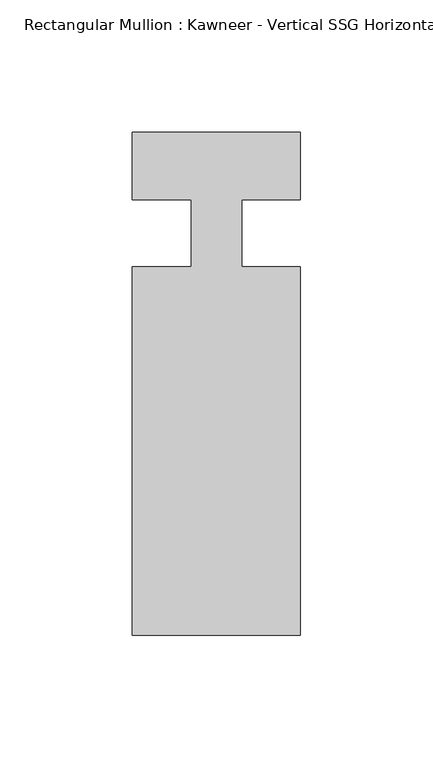
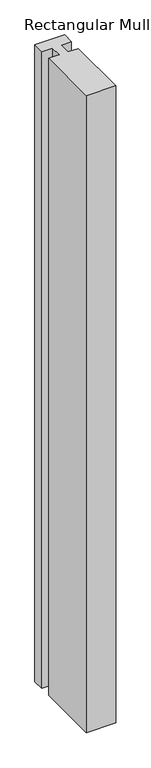
"""IFC4 building model written with IfcOpenShell, lengths in millimetres: member geometry."""

import ifcopenshell
import ifcopenshell.guid

model = None  # the IFC model being written
_history = None  # IfcOwnerHistory: only IFC2X3 demands one
_inside = {}  # id of a spatial element -> (the spatial element, [elements in it])
_under = {}  # id of a project, library or spatial element -> (it, [spatial elements below it])
_declared = {}  # id of a project -> (the project, [libraries it declares])
_typed = {}  # id of a type object -> (the type object, [elements of that type])
_made_of = {}  # id of a material, layer set ... -> (it, [elements and type objects made of it])


def new_model(schema):
    """Start an empty IFC model of exactly this schema.

    Asked for "IFC4X3", IfcOpenShell would pick the latest addendum, in which some entities
    have other attributes; the version numbers below select the first issue.
    IFC2X3 requires an IfcOwnerHistory on every rooted entity: one is made here for all.
    """
    global model, _history
    if schema == "IFC4X3":
        model = ifcopenshell.file(schema_version=(4, 3, 0, 0))
    else:
        model = ifcopenshell.file(schema=schema)
    _inside.clear()
    _under.clear()
    _declared.clear()
    _typed.clear()
    _made_of.clear()
    _history = None
    if model.schema == "IFC2X3":
        org = make("IfcOrganization", Name="unknown")
        user = make(
            "IfcPersonAndOrganization",
            ThePerson=make("IfcPerson", FamilyName="unknown"),
            TheOrganization=org,
        )
        app = make(
            "IfcApplication",
            ApplicationDeveloper=org,
            Version="unknown",
            ApplicationFullName="unknown",
            ApplicationIdentifier="unknown",
        )
        _history = make(
            "IfcOwnerHistory",
            OwningUser=user,
            OwningApplication=app,
            ChangeAction="ADDED",
            CreationDate=0,
        )
    return model


def make(cls, **values):
    """One entity of the class cls with the attributes given. An attribute that is None is left unset."""
    return model.create_entity(
        cls, **{name: value for name, value in values.items() if value is not None}
    )


def rooted(cls, **values):
    """An entity with a GlobalId (a new one), such as an element, a storey or a relation."""
    return make(cls, GlobalId=ifcopenshell.guid.new(), OwnerHistory=_history, **values)


def si_unit(unit_type, name, prefix=None):
    """IfcSIUnit, for example si_unit("LENGTHUNIT", "METRE", prefix="MILLI")."""
    return make("IfcSIUnit", UnitType=unit_type, Prefix=prefix, Name=name)


def assignment(units):
    """IfcUnitAssignment: the units of a project."""
    return None if units is None else make("IfcUnitAssignment", Units=units)


def point(xyz):
    """IfcCartesianPoint."""
    return None if xyz is None else make("IfcCartesianPoint", Coordinates=xyz)


def direction(xyz):
    """IfcDirection."""
    return None if xyz is None else make("IfcDirection", DirectionRatios=xyz)


def frame(location, z_axis=None, x_axis=None):
    """IfcAxis2Placement3D, a coordinate frame: its origin and axes. An axis left out is left unset."""
    return make(
        "IfcAxis2Placement3D",
        Location=point(location),
        Axis=direction(z_axis),
        RefDirection=direction(x_axis),
    )


def origin():
    """The frame at (0, 0, 0) with its axes left unset."""
    return frame((0.0, 0.0, 0.0))


def place(relative_to, where):
    """IfcLocalPlacement: puts the frame where relative to a parent placement (None: the world)."""
    return make(
        "IfcLocalPlacement", PlacementRelTo=relative_to, RelativePlacement=where
    )


def context(
    kind, dimensions, precision=None, world=None, true_north=None, identifier=None
):
    """IfcGeometricRepresentationContext, for example the 3D "Model" context."""
    return make(
        "IfcGeometricRepresentationContext",
        ContextIdentifier=identifier,
        ContextType=kind,
        CoordinateSpaceDimension=dimensions,
        Precision=precision,
        WorldCoordinateSystem=world,
        TrueNorth=true_north,
    )


def project(units=None, contexts=None):
    """IfcProject with its units and contexts."""
    return rooted(
        "IfcProject",
        Name="project",
        RepresentationContexts=contexts,
        UnitsInContext=assignment(units),
    )


def spatial(cls, under=None, at=None, **own):
    """A site, building, storey or space (cls), placed at a placement, below another one or the project."""
    s = rooted(cls, ObjectPlacement=at, **own)
    if under is not None:
        _under.setdefault(under.id(), (under, []))[1].append(s)
    return s


def polyline(points):
    """IfcPolyline through the points."""
    return make("IfcPolyline", Points=[point(p) for p in points])


def outline(outer, holes=None, kind="AREA"):
    """IfcArbitraryClosedProfileDef: a profile drawn as a closed curve; with holes, ...WithVoids."""
    if holes is None:
        return make("IfcArbitraryClosedProfileDef", ProfileType=kind, OuterCurve=outer)
    return make(
        "IfcArbitraryProfileDefWithVoids",
        ProfileType=kind,
        OuterCurve=outer,
        InnerCurves=holes,
    )


def extrude(swept, where, along, depth):
    """IfcExtrudedAreaSolid: the profile swept, set in the frame where, extruded along a direction by depth."""
    return make(
        "IfcExtrudedAreaSolid",
        SweptArea=swept,
        Position=where,
        ExtrudedDirection=direction(along),
        Depth=depth,
    )


def shape(context_of_items, identifier, shape_type, items):
    """IfcShapeRepresentation: the items that make up one representation, for example the "Body"."""
    return make(
        "IfcShapeRepresentation",
        ContextOfItems=context_of_items,
        RepresentationIdentifier=identifier,
        RepresentationType=shape_type,
        Items=items,
    )


def source(mapping_origin, context_of_items, identifier, shape_type, items):
    """IfcRepresentationMap: a shape defined once, which mapped items show again and again."""
    return make(
        "IfcRepresentationMap",
        MappingOrigin=mapping_origin,
        MappedRepresentation=shape(context_of_items, identifier, shape_type, items),
    )


def transform(
    local_origin,
    x_axis=None,
    y_axis=None,
    z_axis=None,
    scale=None,
    scale2=None,
    scale3=None,
    uniform=True,
):
    """IfcCartesianTransformationOperator3D, or its non-uniform kind. x_axis, y_axis, z_axis: its Axis1, 2, 3."""
    if uniform:
        return make(
            "IfcCartesianTransformationOperator3D",
            Axis1=direction(x_axis),
            Axis2=direction(y_axis),
            LocalOrigin=point(local_origin),
            Scale=scale,
            Axis3=direction(z_axis),
        )
    return make(
        "IfcCartesianTransformationOperator3DnonUniform",
        Axis1=direction(x_axis),
        Axis2=direction(y_axis),
        LocalOrigin=point(local_origin),
        Scale=scale,
        Axis3=direction(z_axis),
        Scale2=scale2,
        Scale3=scale3,
    )


def mapped(mapping_source, mapping_target):
    """IfcMappedItem: shows the shape of a source again, moved by a transform."""
    return make(
        "IfcMappedItem", MappingSource=mapping_source, MappingTarget=mapping_target
    )


def made_of(thing, what):
    """Note that an element or type object is made of a material, layer set ...; save() writes the relation."""
    if what is not None:
        _made_of.setdefault(what.id(), (what, []))[1].append(thing)
    return thing


def element(
    cls,
    number,
    at=None,
    inside=None,
    cuts=None,
    type_object=None,
    material=None,
    context=None,
    identifier="Body",
    shape_type=None,
    held_by="IfcProductDefinitionShape",
    body=None,
    shapes=None,
    **own,
):
    """One element of the class cls, such as IfcWall. Its Tag is "e" and its number.

    at: its placement. inside: the storey or other place that contains it. cuts: it is an
    opening in that element (IfcRelVoidsElement). A single representation is given by context,
    identifier, shape_type and body (its items); several are given by shapes. held_by: the class
    of the entity that holds the representations. save() writes the other relations.
    """
    e = rooted(cls, Tag="e%d" % number, ObjectPlacement=at, **own)
    if body is not None:
        shapes = [shape(context, identifier, shape_type, body)]
    if shapes is not None:
        e.Representation = make(held_by, Representations=shapes)
    if inside is not None:
        _inside.setdefault(inside.id(), (inside, []))[1].append(e)
    if cuts is not None:
        rooted(
            "IfcRelVoidsElement", RelatingBuildingElement=cuts, RelatedOpeningElement=e
        )
    if type_object is not None:
        _typed.setdefault(type_object.id(), (type_object, []))[1].append(e)
    return made_of(e, material)


def aggregate(whole, parts):
    """IfcRelAggregates: a whole, such as a stair, and the parts it consists of."""
    return rooted("IfcRelAggregates", RelatingObject=whole, RelatedObjects=parts)


def save(model, path):
    """Write the relations noted so far, then the file.

    IfcRelAggregates (storeys below a building ...), IfcRelContainedInSpatialStructure (elements
    in a storey), IfcRelDefinesByType, IfcRelAssociatesMaterial and IfcRelDeclares: one each for
    every whole, place, type object, material and project.
    """
    for whole, parts in _under.values():
        aggregate(whole, parts)
    for where, things in _inside.values():
        rooted(
            "IfcRelContainedInSpatialStructure",
            RelatedElements=things,
            RelatingStructure=where,
        )
    for kind, things in _typed.values():
        rooted("IfcRelDefinesByType", RelatedObjects=things, RelatingType=kind)
    for what, things in _made_of.values():
        rooted("IfcRelAssociatesMaterial", RelatedObjects=things, RelatingMaterial=what)
    for by, libraries in _declared.values():
        rooted("IfcRelDeclares", RelatingContext=by, RelatedDefinitions=libraries)
    model.write(path)


def member_739abae1(model_context):
    return source(origin(), model_context, "Body", "SweptSolid", [
        extrude(outline(polyline([(-9.525, 12.7), (-31.75, 12.7), (-31.75, 38.1), (31.75, 38.1), (31.75, 12.7), (9.5251132, 12.7), (9.5251132, -12.7), (31.75, -12.7), (31.75, -151.892), (-31.75, -151.892), (-31.75, -12.7), (-9.525, -12.7), (-9.525, 12.7)])), frame((0.0, 0.0, -1440.1582482), z_axis=(0.0, 0.0, 1.0), x_axis=(1.0, 0.0, 0.0)), (0.0, 0.0, 1.0), 1440.1582482),
    ])


if __name__ == "__main__":
    model = new_model("IFC4")
    model_context = context("Model", 3, world=origin())
    ifc_project = project(units=[si_unit("LENGTHUNIT", "METRE", prefix="MILLI")], contexts=[model_context])
    site = spatial("IfcSite", under=ifc_project)
    building = spatial("IfcBuilding", under=site)
    placement = place(None, origin())
    member_shape = member_739abae1(model_context)
    element("IfcMember", 1, ObjectType="Rectangular Mullion : Kawneer - Vertical SSG Horizontal Mullion - 7 1/2\"", at=placement, inside=building, context=model_context, shape_type="MappedRepresentation", body=[
        mapped(member_shape, transform((0.0, 0.0, 0.0), x_axis=(1.0, 0.0, 0.0), y_axis=(0.0, 1.0, 0.0), z_axis=(0.0, 0.0, 1.0))),
    ])
    save(model, "model.ifc")
